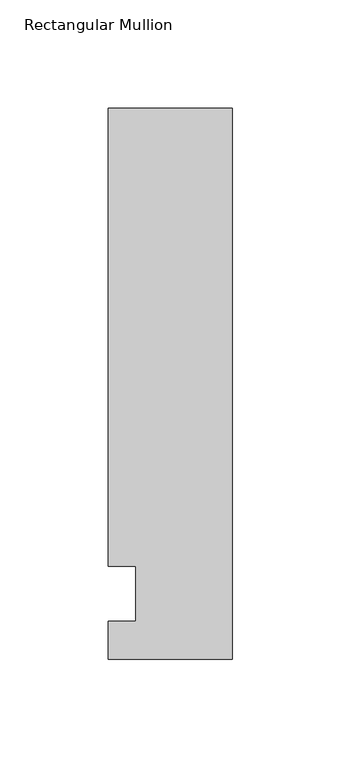
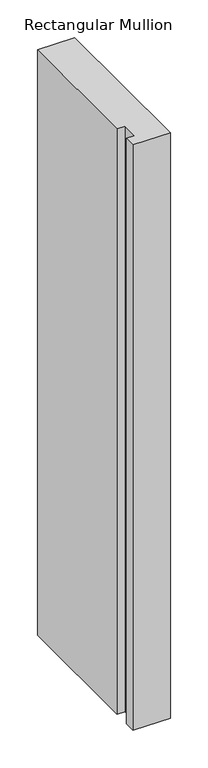
"""IFC4 building model written with IfcOpenShell, lengths in millimetres: member geometry, Rectangular Mullion."""

from ifc_helpers import new_model, si_unit, frame, origin, place, context, project, spatial, polyline, outline, extrude, source, transform, mapped, element, save


def rectangular_mullion_2e295bb0(model_context):
    return source(origin(), model_context, "Body", "SweptSolid", [
        extrude(outline(polyline([(-57.15, 223.8375), (0.0, 223.8375), (0.0, -30.1625), (-57.15, -30.1625), (-57.15, -12.7), (-44.4482296, -12.7), (-44.4482296, 12.7), (-57.15, 12.7), (-57.15, 223.8375)])), frame((0.0, 0.0, -949.325), z_axis=(0.0, 0.0, 1.0), x_axis=(1.0, 0.0, 0.0)), (0.0, 0.0, 1.0), 949.325),
    ])


if __name__ == "__main__":
    model = new_model("IFC4")
    model_context = context("Model", 3, world=origin())
    ifc_project = project(units=[si_unit("LENGTHUNIT", "METRE", prefix="MILLI")], contexts=[model_context])
    site = spatial("IfcSite", under=ifc_project)
    building = spatial("IfcBuilding", under=site)
    placement = place(None, origin())
    rectangular_mullion_shape = rectangular_mullion_2e295bb0(model_context)
    element("IfcMember", 1, ObjectType="Rectangular Mullion", at=placement, inside=building, context=model_context, shape_type="MappedRepresentation", body=[
        mapped(rectangular_mullion_shape, transform((0.0, 0.0, 0.0), x_axis=(1.0, 0.0, 0.0), y_axis=(0.0, 1.0, 0.0), z_axis=(0.0, 0.0, 1.0))),
    ])
    save(model, "model.ifc")
